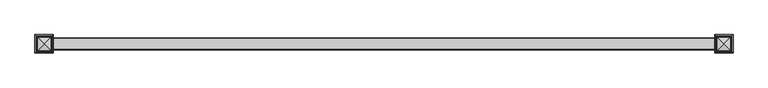
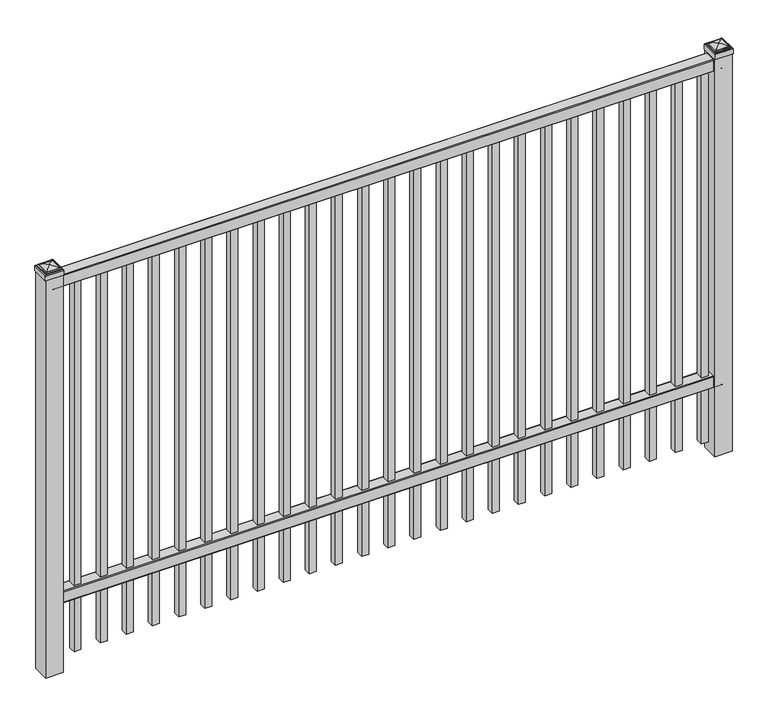
"""IFC4 building model written with IfcOpenShell, lengths in millimetres: railing geometry."""

from ifc_helpers import new_model, si_unit, point, frame, frame_2d, origin, origin_with_axes, place, context, project, spatial, polyline, circle_curve, ellipse_curve, trimmed, segment, composite_curve, outline, extrude, source, transform, mapped, element, save
from ifc_brep_helpers import plane_surface, cylinder_surface, advanced_brep


def railing_e13bdcaf(model_context):
    return source(origin(), model_context, "Body", "SolidModel", [
        extrude(outline(composite_curve([segment(polyline([(11873.9139761, 304.8), (11911.969541, 304.8)]), True, "CONTINUOUS"), segment(trimmed(circle_curve(frame_2d((11911.969541, 301.625)), 3.175), [point((11911.969541, 304.8))], [point((11915.144541, 301.625))], False, "CARTESIAN"), True, "CONTINUOUS"), segment(polyline([(11915.144541, 301.625), (11915.144541, 262.1439893)]), True, "CONTINUOUS"), segment(trimmed(circle_curve(frame_2d((11913.3505518, 262.1439893)), 1.7939893), [point((11915.144541, 262.1439893))], [point((11913.3505518, 260.35))], False, "CARTESIAN"), True, "CONTINUOUS"), segment(polyline([(11913.3505518, 260.35), (11910.7590713, 260.35)]), True, "CONTINUOUS"), segment(trimmed(circle_curve(frame_2d((11910.7590713, 262.1359375)), 1.7859375), [point((11910.7590713, 260.35))], [point((11908.9755813, 262.0424688))], False, "CARTESIAN"), True, "CONTINUOUS"), segment(polyline([(11908.9755813, 262.0424688), (11907.4025867, 292.0569942), (11878.4364954, 292.0569942), (11876.8635007, 262.0424688)]), True, "CONTINUOUS"), segment(trimmed(circle_curve(frame_2d((11875.0800108, 262.1359375)), 1.7859375), [point((11876.8635007, 262.0424688))], [point((11875.0800108, 260.35))], False, "CARTESIAN"), True, "CONTINUOUS"), segment(polyline([(11875.0800108, 260.35), (11872.4804785, 260.35)]), True, "CONTINUOUS"), segment(trimmed(circle_curve(frame_2d((11872.4804785, 262.1359375)), 1.7859375), [point((11872.4804785, 260.35))], [point((11870.694541, 262.1359375))], False, "CARTESIAN"), True, "CONTINUOUS"), segment(polyline([(11870.694541, 262.1359375), (11870.694541, 301.5805649)]), True, "CONTINUOUS"), segment(trimmed(circle_curve(frame_2d((11873.9139761, 301.5805649)), 3.2194351), [point((11870.694541, 301.5805649))], [point((11873.9139761, 304.8))], False, "CARTESIAN"), True, "CONTINUOUS")], self_intersect=False)), frame((-15337.0649936, 0.0, 0.0), z_axis=(1.0, 0.0, 0.0), x_axis=(0.0, 1.0, 0.0)), (0.0, 0.0, 1.0), 2438.4),
        extrude(outline(composite_curve([segment(polyline([(11873.9139761, 1524.0), (11911.969541, 1524.0)]), True, "CONTINUOUS"), segment(trimmed(circle_curve(frame_2d((11911.969541, 1520.825)), 3.175), [point((11911.969541, 1524.0))], [point((11915.144541, 1520.825))], False, "CARTESIAN"), True, "CONTINUOUS"), segment(polyline([(11915.144541, 1520.825), (11915.144541, 1481.3439893)]), True, "CONTINUOUS"), segment(trimmed(circle_curve(frame_2d((11913.3505518, 1481.3439893)), 1.7939893), [point((11915.144541, 1481.3439893))], [point((11913.3505518, 1479.55))], False, "CARTESIAN"), True, "CONTINUOUS"), segment(polyline([(11913.3505518, 1479.55), (11910.7590713, 1479.55)]), True, "CONTINUOUS"), segment(trimmed(circle_curve(frame_2d((11910.7590713, 1481.3359375)), 1.7859375), [point((11910.7590713, 1479.55))], [point((11908.9755813, 1481.2424688))], False, "CARTESIAN"), True, "CONTINUOUS"), segment(polyline([(11908.9755813, 1481.2424688), (11907.4025867, 1511.2569942), (11878.4364954, 1511.2569942), (11876.8635007, 1481.2424688)]), True, "CONTINUOUS"), segment(trimmed(circle_curve(frame_2d((11875.0800108, 1481.3359375)), 1.7859375), [point((11876.8635007, 1481.2424688))], [point((11875.0800108, 1479.55))], False, "CARTESIAN"), True, "CONTINUOUS"), segment(polyline([(11875.0800108, 1479.55), (11872.4804785, 1479.55)]), True, "CONTINUOUS"), segment(trimmed(circle_curve(frame_2d((11872.4804785, 1481.3359375)), 1.7859375), [point((11872.4804785, 1479.55))], [point((11870.694541, 1481.3359375))], False, "CARTESIAN"), True, "CONTINUOUS"), segment(polyline([(11870.694541, 1481.3359375), (11870.694541, 1520.7805649)]), True, "CONTINUOUS"), segment(trimmed(circle_curve(frame_2d((11873.9139761, 1520.7805649)), 3.2194351), [point((11870.694541, 1520.7805649))], [point((11873.9139761, 1524.0))], False, "CARTESIAN"), True, "CONTINUOUS")], self_intersect=False)), frame((-15337.0649936, 0.0, 0.0), z_axis=(1.0, 0.0, 0.0), x_axis=(0.0, 1.0, 0.0)), (0.0, 0.0, 1.0), 2438.4),
        extrude(outline(polyline([(0.0, -1428.75), (0.0, 0.0), (25.4, 0.0), (25.4, -1428.75), (0.0, -1428.75)])), frame((-12943.1149864, 11905.619541, 1479.55), z_axis=(-1.0, 0.0, 2.9043842471783905e-09), x_axis=(0.0, -1.0, 0.0)), (0.0, 0.0, 1.0), 25.4),
        extrude(outline(polyline([(0.0, -1428.75), (0.0, 0.0), (25.4, 0.0), (25.4, -1428.75), (0.0, -1428.75)])), frame((-13038.3649864, 11905.619541, 1479.55), z_axis=(-1.0, 0.0, 2.9043842471783905e-09), x_axis=(0.0, -1.0, 0.0)), (0.0, 0.0, 1.0), 25.4),
        extrude(outline(polyline([(0.0, -1428.75), (0.0, 0.0), (25.4, 0.0), (25.4, -1428.75), (0.0, -1428.75)])), frame((-13133.6149864, 11905.619541, 1479.55), z_axis=(-1.0, 0.0, 2.9043842471783905e-09), x_axis=(0.0, -1.0, 0.0)), (0.0, 0.0, 1.0), 25.4),
        extrude(outline(polyline([(0.0, -1428.75), (0.0, 0.0), (25.4, 0.0), (25.4, -1428.75), (0.0, -1428.75)])), frame((-13228.8649864, 11905.619541, 1479.55), z_axis=(-1.0, 0.0, 2.9043842471783905e-09), x_axis=(0.0, -1.0, 0.0)), (0.0, 0.0, 1.0), 25.4),
        extrude(outline(polyline([(0.0, -1428.75), (0.0, 0.0), (25.4, 0.0), (25.4, -1428.75), (0.0, -1428.75)])), frame((-13324.1149864, 11905.619541, 1479.55), z_axis=(-1.0, 0.0, 2.9043842471783905e-09), x_axis=(0.0, -1.0, 0.0)), (0.0, 0.0, 1.0), 25.4),
        extrude(outline(polyline([(0.0, -1428.75), (0.0, 0.0), (25.4, 0.0), (25.4, -1428.75), (0.0, -1428.75)])), frame((-13419.3649864, 11905.619541, 1479.55), z_axis=(-1.0, 0.0, 2.9043842471783905e-09), x_axis=(0.0, -1.0, 0.0)), (0.0, 0.0, 1.0), 25.4),
        extrude(outline(polyline([(0.0, -1428.75), (0.0, 0.0), (25.4, 0.0), (25.4, -1428.75), (0.0, -1428.75)])), frame((-13514.6149864, 11905.619541, 1479.55), z_axis=(-1.0, 0.0, 2.9043842471783905e-09), x_axis=(0.0, -1.0, 0.0)), (0.0, 0.0, 1.0), 25.4),
        extrude(outline(polyline([(0.0, -1428.75), (0.0, 0.0), (25.4, 0.0), (25.4, -1428.75), (0.0, -1428.75)])), frame((-13609.8649864, 11905.619541, 1479.55), z_axis=(-1.0, 0.0, 2.9043842471783905e-09), x_axis=(0.0, -1.0, 0.0)), (0.0, 0.0, 1.0), 25.4),
        extrude(outline(polyline([(0.0, -1428.75), (0.0, 0.0), (25.4, 0.0), (25.4, -1428.75), (0.0, -1428.75)])), frame((-13705.1149864, 11905.619541, 1479.55), z_axis=(-1.0, 0.0, 2.9043842471783905e-09), x_axis=(0.0, -1.0, 0.0)), (0.0, 0.0, 1.0), 25.4),
        extrude(outline(polyline([(0.0, -1428.75), (0.0, 0.0), (25.4, 0.0), (25.4, -1428.75), (0.0, -1428.75)])), frame((-13800.3649864, 11905.619541, 1479.55), z_axis=(-1.0, 0.0, 2.9043842471783905e-09), x_axis=(0.0, -1.0, 0.0)), (0.0, 0.0, 1.0), 25.4),
        extrude(outline(polyline([(0.0, -1428.75), (0.0, 0.0), (25.4, 0.0), (25.4, -1428.75), (0.0, -1428.75)])), frame((-13895.6149864, 11905.619541, 1479.55), z_axis=(-1.0, 0.0, 2.9043842471783905e-09), x_axis=(0.0, -1.0, 0.0)), (0.0, 0.0, 1.0), 25.4),
        extrude(outline(polyline([(0.0, -1428.75), (0.0, 0.0), (25.4, 0.0), (25.4, -1428.75), (0.0, -1428.75)])), frame((-13990.8649864, 11905.619541, 1479.55), z_axis=(-1.0, 0.0, 2.9043842471783905e-09), x_axis=(0.0, -1.0, 0.0)), (0.0, 0.0, 1.0), 25.4),
        extrude(outline(polyline([(0.0, -1428.75), (0.0, 0.0), (25.4, 0.0), (25.4, -1428.75), (0.0, -1428.75)])), frame((-14086.1149864, 11905.619541, 1479.55), z_axis=(-1.0, 0.0, 2.9043842471783905e-09), x_axis=(0.0, -1.0, 0.0)), (0.0, 0.0, 1.0), 25.4),
        extrude(outline(polyline([(0.0, -1428.75), (0.0, 0.0), (25.4, 0.0), (25.4, -1428.75), (0.0, -1428.75)])), frame((-14181.3649864, 11905.619541, 1479.55), z_axis=(-1.0, 0.0, 2.9043842471783905e-09), x_axis=(0.0, -1.0, 0.0)), (0.0, 0.0, 1.0), 25.4),
        extrude(outline(polyline([(0.0, -1428.75), (0.0, 0.0), (25.4, 0.0), (25.4, -1428.75), (0.0, -1428.75)])), frame((-14276.6149864, 11905.619541, 1479.55), z_axis=(-1.0, 0.0, 2.9043842471783905e-09), x_axis=(0.0, -1.0, 0.0)), (0.0, 0.0, 1.0), 25.4),
        extrude(outline(polyline([(0.0, -1428.75), (0.0, 0.0), (25.4, 0.0), (25.4, -1428.75), (0.0, -1428.75)])), frame((-14371.8649864, 11905.619541, 1479.55), z_axis=(-1.0, 0.0, 2.9043842471783905e-09), x_axis=(0.0, -1.0, 0.0)), (0.0, 0.0, 1.0), 25.4),
        extrude(outline(polyline([(0.0, -1428.75), (0.0, 0.0), (25.4, 0.0), (25.4, -1428.75), (0.0, -1428.75)])), frame((-14467.1149864, 11905.619541, 1479.55), z_axis=(-1.0, 0.0, 2.9043842471783905e-09), x_axis=(0.0, -1.0, 0.0)), (0.0, 0.0, 1.0), 25.4),
        extrude(outline(polyline([(0.0, -1428.75), (0.0, 0.0), (25.4, 0.0), (25.4, -1428.75), (0.0, -1428.75)])), frame((-14562.3649864, 11905.619541, 1479.55), z_axis=(-1.0, 0.0, 2.9043842471783905e-09), x_axis=(0.0, -1.0, 0.0)), (0.0, 0.0, 1.0), 25.4),
        extrude(outline(polyline([(0.0, -1428.75), (0.0, 0.0), (25.4, 0.0), (25.4, -1428.75), (0.0, -1428.75)])), frame((-14657.6149864, 11905.619541, 1479.55), z_axis=(-1.0, 0.0, 2.9043842471783905e-09), x_axis=(0.0, -1.0, 0.0)), (0.0, 0.0, 1.0), 25.4),
        extrude(outline(polyline([(0.0, -1428.75), (0.0, 0.0), (25.4, 0.0), (25.4, -1428.75), (0.0, -1428.75)])), frame((-14752.8649864, 11905.619541, 1479.55), z_axis=(-1.0, 0.0, 2.9043842471783905e-09), x_axis=(0.0, -1.0, 0.0)), (0.0, 0.0, 1.0), 25.4),
        extrude(outline(polyline([(0.0, -1428.75), (0.0, 0.0), (25.4, 0.0), (25.4, -1428.75), (0.0, -1428.75)])), frame((-14848.1149864, 11905.619541, 1479.55), z_axis=(-1.0, 0.0, 2.9043842471783905e-09), x_axis=(0.0, -1.0, 0.0)), (0.0, 0.0, 1.0), 25.4),
        extrude(outline(polyline([(0.0, -1428.75), (0.0, 0.0), (25.4, 0.0), (25.4, -1428.75), (0.0, -1428.75)])), frame((-14943.3649864, 11905.619541, 1479.55), z_axis=(-1.0, 0.0, 2.9043842471783905e-09), x_axis=(0.0, -1.0, 0.0)), (0.0, 0.0, 1.0), 25.4),
        extrude(outline(polyline([(0.0, -1428.75), (0.0, 0.0), (25.4, 0.0), (25.4, -1428.75), (0.0, -1428.75)])), frame((-15038.6149864, 11905.619541, 1479.55), z_axis=(-1.0, 0.0, 2.9043842471783905e-09), x_axis=(0.0, -1.0, 0.0)), (0.0, 0.0, 1.0), 25.4),
        extrude(outline(polyline([(0.0, -1428.75), (0.0, 0.0), (25.4, 0.0), (25.4, -1428.75), (0.0, -1428.75)])), frame((-15133.8649864, 11905.619541, 1479.55), z_axis=(-1.0, 0.0, 2.9043842471783905e-09), x_axis=(0.0, -1.0, 0.0)), (0.0, 0.0, 1.0), 25.4),
        extrude(outline(polyline([(0.0, -1428.75), (0.0, 0.0), (25.4, 0.0), (25.4, -1428.75), (0.0, -1428.75)])), frame((-15229.1149864, 11905.619541, 1479.55), z_axis=(-1.0, 0.0, 2.9043842471783905e-09), x_axis=(0.0, -1.0, 0.0)), (0.0, 0.0, 1.0), 25.4),
        extrude(outline(polyline([(-12866.9149936, 11924.669541), (-12866.9149936, 11861.169541), (-12930.4149936, 11861.169541), (-12930.4149936, 11924.669541), (-12866.9149936, 11924.669541)])), origin_with_axes(), (0.0, 0.0, 1.0), 1531.9375),
        advanced_brep(
        [(-12932.0024936, 11926.257041, 1550.19375), (-12932.0024936, 11926.257041, 1531.9375), (-12932.0024936, 11859.582041, 1531.9375), (-12932.0024936, 11859.582041, 1550.19375), (-12929.6212436, 11923.875791, 1552.575), (-12929.6212436, 11861.963291, 1552.575), (-12927.2399936, 11921.494541, 1554.95625), (-12927.2399936, 11921.494541, 1552.575), (-12927.2399936, 11864.344541, 1552.575), (-12927.2399936, 11864.344541, 1554.95625), (-12924.8587436, 11919.113291, 1557.3375), (-12924.8587436, 11866.725791, 1557.3375), (-12898.6649936, 11892.919541, 1563.6875), (-12922.4774936, 11916.732041, 1557.3375), (-12922.4774936, 11869.107041, 1557.3375), (-12865.3274936, 11859.582041, 1531.9375), (-12865.3274936, 11859.582041, 1550.19375), (-12867.7087436, 11861.963291, 1552.575), (-12870.0899936, 11864.344541, 1552.575), (-12870.0899936, 11864.344541, 1554.95625), (-12872.4712436, 11866.725791, 1557.3375), (-12874.8524936, 11869.107041, 1557.3375), (-12865.3274936, 11926.257041, 1531.9375), (-12865.3274936, 11926.257041, 1550.19375), (-12867.7087436, 11923.875791, 1552.575), (-12870.0899936, 11921.494541, 1552.575), (-12870.0899936, 11921.494541, 1554.95625), (-12872.4712436, 11919.113291, 1557.3375), (-12874.8524936, 11916.732041, 1557.3375)],
        [
            (0, 1),
            (1, 2),
            (2, 3),
            (3, 0),
            (4, 0, ellipse_curve(frame((-12929.6212436, 11923.875791, 1550.19375), z_axis=(-0.70710678118655, -0.7071067811865449, 0.0), x_axis=(-0.7071067811865448, 0.7071067811865501, 0.0)), 3.367596, 2.38125)),
            (3, 5, ellipse_curve(frame((-12929.6212436, 11861.963291, 1550.19375), z_axis=(-0.7071067811865449, 0.70710678118655, 0.0), x_axis=(0.7071067811865499, 0.707106781186545, 0.0)), 3.367596, 2.38125)),
            (5, 4),
            (6, 7),
            (7, 8),
            (8, 9),
            (9, 6),
            (10, 6, ellipse_curve(frame((-12924.8587436, 11919.113291, 1554.95625), z_axis=(-0.70710678118655, -0.7071067811865449, 0.0), x_axis=(-0.7071067811865448, 0.7071067811865501, 0.0)), 3.367596, 2.38125)),
            (9, 11, ellipse_curve(frame((-12924.8587436, 11866.725791, 1554.95625), z_axis=(-0.7071067811865449, 0.70710678118655, 0.0), x_axis=(0.7071067811865499, 0.707106781186545, 0.0)), 3.367596, 2.38125)),
            (11, 10),
            (12, 13, ellipse_curve(frame((-12898.6649936, 11892.919541, 1515.8640625), z_axis=(-0.70710678118655, -0.7071067811865449, 0.0), x_axis=(-0.7071067811865448, 0.7071067811865501, 0.0)), 67.6325539, 47.8234375)),
            (13, 14),
            (14, 12, ellipse_curve(frame((-12898.6649936, 11892.919541, 1515.8640625), z_axis=(-0.7071067811865449, 0.70710678118655, 0.0), x_axis=(0.7071067811865499, 0.707106781186545, 0.0)), 67.6325539, 47.8234375)),
            (2, 15),
            (15, 16),
            (16, 3),
            (16, 17, ellipse_curve(frame((-12867.7087436, 11861.963291, 1550.19375), z_axis=(-0.70710678118655, -0.707106781186545, 0.0), x_axis=(-0.707106781186545, 0.70710678118655, 0.0)), 3.367596, 2.38125)),
            (17, 5),
            (8, 18),
            (18, 19),
            (19, 9),
            (19, 20, ellipse_curve(frame((-12872.4712436, 11866.725791, 1554.95625), z_axis=(-0.70710678118655, -0.707106781186545, 0.0), x_axis=(-0.707106781186545, 0.70710678118655, 0.0)), 3.367596, 2.38125)),
            (20, 11),
            (14, 21),
            (21, 12, ellipse_curve(frame((-12898.6649936, 11892.919541, 1515.8640625), z_axis=(-0.70710678118655, -0.707106781186545, 0.0), x_axis=(-0.707106781186545, 0.70710678118655, 0.0)), 67.6325539, 47.8234375)),
            (15, 22),
            (22, 23),
            (23, 16),
            (23, 24, ellipse_curve(frame((-12867.7087436, 11923.875791, 1550.19375), z_axis=(0.707106781186545, -0.7071067811865499, 0.0), x_axis=(-0.7071067811865497, -0.7071067811865452, 0.0)), 3.367596, 2.38125)),
            (24, 17),
            (18, 25),
            (25, 26),
            (26, 19),
            (26, 27, ellipse_curve(frame((-12872.4712436, 11919.113291, 1554.95625), z_axis=(0.707106781186545, -0.7071067811865499, 0.0), x_axis=(-0.7071067811865497, -0.7071067811865452, 0.0)), 3.367596, 2.38125)),
            (27, 20),
            (21, 28),
            (28, 12, ellipse_curve(frame((-12898.6649936, 11892.919541, 1515.8640625), z_axis=(0.707106781186545, -0.7071067811865499, 0.0), x_axis=(-0.7071067811865497, -0.7071067811865452, 0.0)), 67.6325539, 47.8234375)),
            (22, 1),
            (0, 23),
            (4, 24),
            (7, 25),
            (6, 26),
            (10, 27),
            (13, 28),
        ],
        [
            plane_surface(frame((-12932.0024936, 11926.257041, 1531.9375), z_axis=(-1.0, 0.0, 0.0), x_axis=(0.0, -1.0, 0.0))),
            cylinder_surface(frame((-12929.6212436, 11924.669541, 1550.19375), z_axis=(0.0, 1.0, 0.0), x_axis=(1.0, 0.0, 0.0)), 2.38125),
            plane_surface(frame((-12927.2399936, 11921.494541, 1552.575), z_axis=(-1.0, 0.0, 0.0), x_axis=(0.0, -1.0, 0.0))),
            cylinder_surface(frame((-12924.8587436, 11924.669541, 1554.95625), z_axis=(0.0, 1.0, 0.0), x_axis=(1.0, 0.0, 0.0)), 2.38125),
            cylinder_surface(frame((-12898.6649936, 11924.669541, 1515.8640625), z_axis=(0.0, 1.0, 0.0), x_axis=(1.0, 0.0, 0.0)), 47.8234375),
            plane_surface(frame((-12932.0024936, 11859.582041, 1531.9375), z_axis=(0.0, -1.0, 0.0), x_axis=(1.0, 0.0, 0.0))),
            cylinder_surface(frame((-12930.4149936, 11861.963291, 1550.19375), z_axis=(-1.0, 0.0, 0.0), x_axis=(0.0, 1.0, 0.0)), 2.38125),
            plane_surface(frame((-12927.2399936, 11864.344541, 1552.575), z_axis=(0.0, -1.0, 0.0), x_axis=(1.0, 0.0, 0.0))),
            cylinder_surface(frame((-12930.4149936, 11866.725791, 1554.95625), z_axis=(-1.0, 0.0, 0.0), x_axis=(0.0, 1.0, 0.0)), 2.38125),
            cylinder_surface(frame((-12930.4149936, 11892.919541, 1515.8640625), z_axis=(-1.0, 0.0, 0.0), x_axis=(0.0, 1.0, 0.0)), 47.8234375),
            plane_surface(frame((-12865.3274936, 11859.582041, 1531.9375), z_axis=(1.0, 0.0, 0.0), x_axis=(0.0, 1.0, 0.0))),
            cylinder_surface(frame((-12867.7087436, 11861.169541, 1550.19375), z_axis=(0.0, -1.0, 0.0), x_axis=(-1.0, 0.0, 0.0)), 2.38125),
            plane_surface(frame((-12870.0899936, 11864.344541, 1552.575), z_axis=(1.0, 0.0, 0.0), x_axis=(0.0, 1.0, 0.0))),
            cylinder_surface(frame((-12872.4712436, 11861.169541, 1554.95625), z_axis=(0.0, -1.0, 0.0), x_axis=(-1.0, 0.0, 0.0)), 2.38125),
            cylinder_surface(frame((-12898.6649936, 11861.169541, 1515.8640625), z_axis=(0.0, -1.0, 0.0), x_axis=(-1.0, 0.0, 0.0)), 47.8234375),
            plane_surface(frame((-12865.3274936, 11926.257041, 1531.9375), z_axis=(0.0, 1.0, 0.0), x_axis=(-1.0, 0.0, 0.0))),
            cylinder_surface(frame((-12866.9149936, 11923.875791, 1550.19375), z_axis=(1.0, 0.0, 0.0), x_axis=(0.0, -1.0, 0.0)), 2.38125),
            plane_surface(frame((-12867.7087436, 11923.875791, 1552.575), z_axis=(0.0, 0.0, 1.0), x_axis=(-1.0, 0.0, 0.0))),
            plane_surface(frame((-12870.0899936, 11921.494541, 1552.575), z_axis=(0.0, 1.0, 0.0), x_axis=(-1.0, 0.0, 0.0))),
            cylinder_surface(frame((-12866.9149936, 11919.113291, 1554.95625), z_axis=(1.0, 0.0, 0.0), x_axis=(0.0, -1.0, 0.0)), 2.38125),
            plane_surface(frame((-12872.4712436, 11919.113291, 1557.3375), z_axis=(0.0, 0.0, 1.0), x_axis=(-1.0, 0.0, 0.0))),
            cylinder_surface(frame((-12866.9149936, 11892.919541, 1515.8640625), z_axis=(1.0, 0.0, 0.0), x_axis=(0.0, -1.0, 0.0)), 47.8234375),
            plane_surface(frame((-12898.6649936, 11892.919541, 1531.9375), z_axis=(0.0, 0.0, -1.0), x_axis=(-1.0, 0.0, 0.0))),
        ],
        [
            (0, [[1, 2, 3, 4]]),
            (1, [[5, -4, 6, 7]]),
            (2, [[8, 9, 10, 11]]),
            (3, [[12, -11, 13, 14]]),
            (4, [[15, 16, 17]]),
            (5, [[-3, 18, 19, 20]]),
            (6, [[-6, -20, 21, 22]]),
            (7, [[-10, 23, 24, 25]]),
            (8, [[-13, -25, 26, 27]]),
            (9, [[-17, 28, 29]]),
            (10, [[-19, 30, 31, 32]]),
            (11, [[-21, -32, 33, 34]]),
            (12, [[-24, 35, 36, 37]]),
            (13, [[-26, -37, 38, 39]]),
            (14, [[-29, 40, 41]]),
            (15, [[-31, 42, -1, 43]]),
            (16, [[-33, -43, -5, 44]]),
            (17, [[-22, -34, -44, -7], [45, -35, -23, -9]]),
            (18, [[-36, -45, -8, 46]]),
            (19, [[-38, -46, -12, 47]]),
            (20, [[-27, -39, -47, -14], [48, -40, -28, -16]]),
            (21, [[-41, -48, -15]]),
            (22, [[-42, -30, -18, -2]]),
        ],
    ),
        extrude(outline(polyline([(-15305.3149936, 11924.669541), (-15305.3149936, 11861.169541), (-15368.8149936, 11861.169541), (-15368.8149936, 11924.669541), (-15305.3149936, 11924.669541)])), origin_with_axes(), (0.0, 0.0, 1.0), 1531.9375),
        advanced_brep(
        [(-15370.4024936, 11926.257041, 1550.19375), (-15370.4024936, 11926.257041, 1531.9375), (-15370.4024936, 11859.582041, 1531.9375), (-15370.4024936, 11859.582041, 1550.19375), (-15368.0212436, 11923.875791, 1552.575), (-15368.0212436, 11861.963291, 1552.575), (-15365.6399936, 11921.494541, 1554.95625), (-15365.6399936, 11921.494541, 1552.575), (-15365.6399936, 11864.344541, 1552.575), (-15365.6399936, 11864.344541, 1554.95625), (-15363.2587436, 11919.113291, 1557.3375), (-15363.2587436, 11866.725791, 1557.3375), (-15337.0649936, 11892.919541, 1563.6875), (-15360.8774936, 11916.732041, 1557.3375), (-15360.8774936, 11869.107041, 1557.3375), (-15303.7274936, 11859.582041, 1531.9375), (-15303.7274936, 11859.582041, 1550.19375), (-15306.1087436, 11861.963291, 1552.575), (-15308.4899936, 11864.344541, 1552.575), (-15308.4899936, 11864.344541, 1554.95625), (-15310.8712436, 11866.725791, 1557.3375), (-15313.2524936, 11869.107041, 1557.3375), (-15303.7274936, 11926.257041, 1531.9375), (-15303.7274936, 11926.257041, 1550.19375), (-15306.1087436, 11923.875791, 1552.575), (-15308.4899936, 11921.494541, 1552.575), (-15308.4899936, 11921.494541, 1554.95625), (-15310.8712436, 11919.113291, 1557.3375), (-15313.2524936, 11916.732041, 1557.3375)],
        [
            (0, 1),
            (1, 2),
            (2, 3),
            (3, 0),
            (4, 0, ellipse_curve(frame((-15368.0212436, 11923.875791, 1550.19375), z_axis=(-0.70710678118655, -0.7071067811865449, 0.0), x_axis=(-0.7071067811865448, 0.7071067811865501, 0.0)), 3.367596, 2.38125)),
            (3, 5, ellipse_curve(frame((-15368.0212436, 11861.963291, 1550.19375), z_axis=(-0.7071067811865449, 0.70710678118655, 0.0), x_axis=(0.7071067811865499, 0.707106781186545, 0.0)), 3.367596, 2.38125)),
            (5, 4),
            (6, 7),
            (7, 8),
            (8, 9),
            (9, 6),
            (10, 6, ellipse_curve(frame((-15363.2587436, 11919.113291, 1554.95625), z_axis=(-0.70710678118655, -0.7071067811865449, 0.0), x_axis=(-0.7071067811865448, 0.7071067811865501, 0.0)), 3.367596, 2.38125)),
            (9, 11, ellipse_curve(frame((-15363.2587436, 11866.725791, 1554.95625), z_axis=(-0.7071067811865449, 0.70710678118655, 0.0), x_axis=(0.7071067811865499, 0.707106781186545, 0.0)), 3.367596, 2.38125)),
            (11, 10),
            (12, 13, ellipse_curve(frame((-15337.0649936, 11892.919541, 1515.8640625), z_axis=(-0.70710678118655, -0.7071067811865449, 0.0), x_axis=(-0.7071067811865448, 0.7071067811865501, 0.0)), 67.6325539, 47.8234375)),
            (13, 14),
            (14, 12, ellipse_curve(frame((-15337.0649936, 11892.919541, 1515.8640625), z_axis=(-0.7071067811865449, 0.70710678118655, 0.0), x_axis=(0.7071067811865499, 0.707106781186545, 0.0)), 67.6325539, 47.8234375)),
            (2, 15),
            (15, 16),
            (16, 3),
            (16, 17, ellipse_curve(frame((-15306.1087436, 11861.963291, 1550.19375), z_axis=(-0.70710678118655, -0.707106781186545, 0.0), x_axis=(-0.707106781186545, 0.70710678118655, 0.0)), 3.367596, 2.38125)),
            (17, 5),
            (8, 18),
            (18, 19),
            (19, 9),
            (19, 20, ellipse_curve(frame((-15310.8712436, 11866.725791, 1554.95625), z_axis=(-0.70710678118655, -0.707106781186545, 0.0), x_axis=(-0.707106781186545, 0.70710678118655, 0.0)), 3.367596, 2.38125)),
            (20, 11),
            (14, 21),
            (21, 12, ellipse_curve(frame((-15337.0649936, 11892.919541, 1515.8640625), z_axis=(-0.70710678118655, -0.707106781186545, 0.0), x_axis=(-0.707106781186545, 0.70710678118655, 0.0)), 67.6325539, 47.8234375)),
            (15, 22),
            (22, 23),
            (23, 16),
            (23, 24, ellipse_curve(frame((-15306.1087436, 11923.875791, 1550.19375), z_axis=(0.707106781186545, -0.7071067811865499, 0.0), x_axis=(-0.7071067811865497, -0.7071067811865452, 0.0)), 3.367596, 2.38125)),
            (24, 17),
            (18, 25),
            (25, 26),
            (26, 19),
            (26, 27, ellipse_curve(frame((-15310.8712436, 11919.113291, 1554.95625), z_axis=(0.707106781186545, -0.7071067811865499, 0.0), x_axis=(-0.7071067811865497, -0.7071067811865452, 0.0)), 3.367596, 2.38125)),
            (27, 20),
            (21, 28),
            (28, 12, ellipse_curve(frame((-15337.0649936, 11892.919541, 1515.8640625), z_axis=(0.707106781186545, -0.7071067811865499, 0.0), x_axis=(-0.7071067811865497, -0.7071067811865452, 0.0)), 67.6325539, 47.8234375)),
            (22, 1),
            (0, 23),
            (4, 24),
            (7, 25),
            (6, 26),
            (10, 27),
            (13, 28),
        ],
        [
            plane_surface(frame((-15370.4024936, 11926.257041, 1531.9375), z_axis=(-1.0, 0.0, 0.0), x_axis=(0.0, -1.0, 0.0))),
            cylinder_surface(frame((-15368.0212436, 11924.669541, 1550.19375), z_axis=(0.0, 1.0, 0.0), x_axis=(1.0, 0.0, 0.0)), 2.38125),
            plane_surface(frame((-15365.6399936, 11921.494541, 1552.575), z_axis=(-1.0, 0.0, 0.0), x_axis=(0.0, -1.0, 0.0))),
            cylinder_surface(frame((-15363.2587436, 11924.669541, 1554.95625), z_axis=(0.0, 1.0, 0.0), x_axis=(1.0, 0.0, 0.0)), 2.38125),
            cylinder_surface(frame((-15337.0649936, 11924.669541, 1515.8640625), z_axis=(0.0, 1.0, 0.0), x_axis=(1.0, 0.0, 0.0)), 47.8234375),
            plane_surface(frame((-15370.4024936, 11859.582041, 1531.9375), z_axis=(0.0, -1.0, 0.0), x_axis=(1.0, 0.0, 0.0))),
            cylinder_surface(frame((-15368.8149936, 11861.963291, 1550.19375), z_axis=(-1.0, 0.0, 0.0), x_axis=(0.0, 1.0, 0.0)), 2.38125),
            plane_surface(frame((-15365.6399936, 11864.344541, 1552.575), z_axis=(0.0, -1.0, 0.0), x_axis=(1.0, 0.0, 0.0))),
            cylinder_surface(frame((-15368.8149936, 11866.725791, 1554.95625), z_axis=(-1.0, 0.0, 0.0), x_axis=(0.0, 1.0, 0.0)), 2.38125),
            cylinder_surface(frame((-15368.8149936, 11892.919541, 1515.8640625), z_axis=(-1.0, 0.0, 0.0), x_axis=(0.0, 1.0, 0.0)), 47.8234375),
            plane_surface(frame((-15303.7274936, 11859.582041, 1531.9375), z_axis=(1.0, 0.0, 0.0), x_axis=(0.0, 1.0, 0.0))),
            cylinder_surface(frame((-15306.1087436, 11861.169541, 1550.19375), z_axis=(0.0, -1.0, 0.0), x_axis=(-1.0, 0.0, 0.0)), 2.38125),
            plane_surface(frame((-15308.4899936, 11864.344541, 1552.575), z_axis=(1.0, 0.0, 0.0), x_axis=(0.0, 1.0, 0.0))),
            cylinder_surface(frame((-15310.8712436, 11861.169541, 1554.95625), z_axis=(0.0, -1.0, 0.0), x_axis=(-1.0, 0.0, 0.0)), 2.38125),
            cylinder_surface(frame((-15337.0649936, 11861.169541, 1515.8640625), z_axis=(0.0, -1.0, 0.0), x_axis=(-1.0, 0.0, 0.0)), 47.8234375),
            plane_surface(frame((-15303.7274936, 11926.257041, 1531.9375), z_axis=(0.0, 1.0, 0.0), x_axis=(-1.0, 0.0, 0.0))),
            cylinder_surface(frame((-15305.3149936, 11923.875791, 1550.19375), z_axis=(1.0, 0.0, 0.0), x_axis=(0.0, -1.0, 0.0)), 2.38125),
            plane_surface(frame((-15306.1087436, 11923.875791, 1552.575), z_axis=(0.0, 0.0, 1.0), x_axis=(-1.0, 0.0, 0.0))),
            plane_surface(frame((-15308.4899936, 11921.494541, 1552.575), z_axis=(0.0, 1.0, 0.0), x_axis=(-1.0, 0.0, 0.0))),
            cylinder_surface(frame((-15305.3149936, 11919.113291, 1554.95625), z_axis=(1.0, 0.0, 0.0), x_axis=(0.0, -1.0, 0.0)), 2.38125),
            plane_surface(frame((-15310.8712436, 11919.113291, 1557.3375), z_axis=(0.0, 0.0, 1.0), x_axis=(-1.0, 0.0, 0.0))),
            cylinder_surface(frame((-15305.3149936, 11892.919541, 1515.8640625), z_axis=(1.0, 0.0, 0.0), x_axis=(0.0, -1.0, 0.0)), 47.8234375),
            plane_surface(frame((-15337.0649936, 11892.919541, 1531.9375), z_axis=(0.0, 0.0, -1.0), x_axis=(-1.0, 0.0, 0.0))),
        ],
        [
            (0, [[1, 2, 3, 4]]),
            (1, [[5, -4, 6, 7]]),
            (2, [[8, 9, 10, 11]]),
            (3, [[12, -11, 13, 14]]),
            (4, [[15, 16, 17]]),
            (5, [[-3, 18, 19, 20]]),
            (6, [[-6, -20, 21, 22]]),
            (7, [[-10, 23, 24, 25]]),
            (8, [[-13, -25, 26, 27]]),
            (9, [[-17, 28, 29]]),
            (10, [[-19, 30, 31, 32]]),
            (11, [[-21, -32, 33, 34]]),
            (12, [[-24, 35, 36, 37]]),
            (13, [[-26, -37, 38, 39]]),
            (14, [[-29, 40, 41]]),
            (15, [[-31, 42, -1, 43]]),
            (16, [[-33, -43, -5, 44]]),
            (17, [[-22, -34, -44, -7], [45, -35, -23, -9]]),
            (18, [[-36, -45, -8, 46]]),
            (19, [[-38, -46, -12, 47]]),
            (20, [[-27, -39, -47, -14], [48, -40, -28, -16]]),
            (21, [[-41, -48, -15]]),
            (22, [[-42, -30, -18, -2]]),
        ],
    ),
    ])


if __name__ == "__main__":
    model = new_model("IFC4")
    model_context = context("Model", 3, world=origin())
    ifc_project = project(units=[si_unit("LENGTHUNIT", "METRE", prefix="MILLI")], contexts=[model_context])
    site = spatial("IfcSite", under=ifc_project)
    building = spatial("IfcBuilding", under=site)
    placement = place(None, origin())
    railing_shape = railing_e13bdcaf(model_context)
    element("IfcRailing", 1, at=placement, inside=building, context=model_context, shape_type="MappedRepresentation", body=[
        mapped(railing_shape, transform((0.0, 0.0, 0.0), x_axis=(1.0, 0.0, 0.0), y_axis=(0.0, 1.0, 0.0), z_axis=(0.0, 0.0, 1.0))),
    ])
    save(model, "model.ifc")
